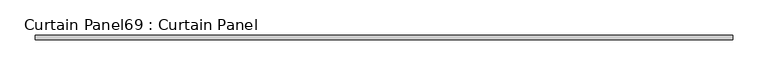
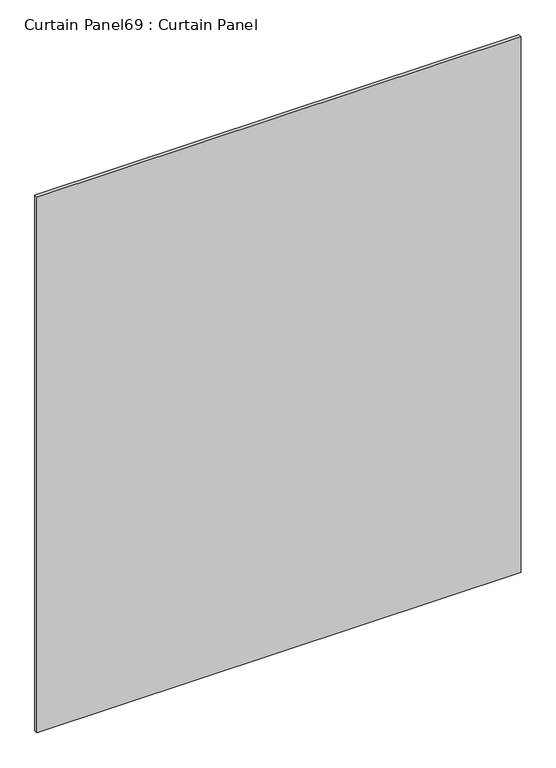
"""IFC4 building model written with IfcOpenShell, lengths in millimetres: plate geometry, Curtain Panel69 : Curtain Panel."""

import ifcopenshell
import ifcopenshell.guid

model = None  # the IFC model being written
_history = None  # IfcOwnerHistory: only IFC2X3 demands one
_inside = {}  # id of a spatial element -> (the spatial element, [elements in it])
_under = {}  # id of a project, library or spatial element -> (it, [spatial elements below it])
_declared = {}  # id of a project -> (the project, [libraries it declares])
_typed = {}  # id of a type object -> (the type object, [elements of that type])
_made_of = {}  # id of a material, layer set ... -> (it, [elements and type objects made of it])


def new_model(schema):
    """Start an empty IFC model of exactly this schema.

    Asked for "IFC4X3", IfcOpenShell would pick the latest addendum, in which some entities
    have other attributes; the version numbers below select the first issue.
    IFC2X3 requires an IfcOwnerHistory on every rooted entity: one is made here for all.
    """
    global model, _history
    if schema == "IFC4X3":
        model = ifcopenshell.file(schema_version=(4, 3, 0, 0))
    else:
        model = ifcopenshell.file(schema=schema)
    _inside.clear()
    _under.clear()
    _declared.clear()
    _typed.clear()
    _made_of.clear()
    _history = None
    if model.schema == "IFC2X3":
        org = make("IfcOrganization", Name="unknown")
        user = make(
            "IfcPersonAndOrganization",
            ThePerson=make("IfcPerson", FamilyName="unknown"),
            TheOrganization=org,
        )
        app = make(
            "IfcApplication",
            ApplicationDeveloper=org,
            Version="unknown",
            ApplicationFullName="unknown",
            ApplicationIdentifier="unknown",
        )
        _history = make(
            "IfcOwnerHistory",
            OwningUser=user,
            OwningApplication=app,
            ChangeAction="ADDED",
            CreationDate=0,
        )
    return model


def make(cls, **values):
    """One entity of the class cls with the attributes given. An attribute that is None is left unset."""
    return model.create_entity(
        cls, **{name: value for name, value in values.items() if value is not None}
    )


def rooted(cls, **values):
    """An entity with a GlobalId (a new one), such as an element, a storey or a relation."""
    return make(cls, GlobalId=ifcopenshell.guid.new(), OwnerHistory=_history, **values)


def si_unit(unit_type, name, prefix=None):
    """IfcSIUnit, for example si_unit("LENGTHUNIT", "METRE", prefix="MILLI")."""
    return make("IfcSIUnit", UnitType=unit_type, Prefix=prefix, Name=name)


def assignment(units):
    """IfcUnitAssignment: the units of a project."""
    return None if units is None else make("IfcUnitAssignment", Units=units)


def point(xyz):
    """IfcCartesianPoint."""
    return None if xyz is None else make("IfcCartesianPoint", Coordinates=xyz)


def direction(xyz):
    """IfcDirection."""
    return None if xyz is None else make("IfcDirection", DirectionRatios=xyz)


def frame(location, z_axis=None, x_axis=None):
    """IfcAxis2Placement3D, a coordinate frame: its origin and axes. An axis left out is left unset."""
    return make(
        "IfcAxis2Placement3D",
        Location=point(location),
        Axis=direction(z_axis),
        RefDirection=direction(x_axis),
    )


def origin():
    """The frame at (0, 0, 0) with its axes left unset."""
    return frame((0.0, 0.0, 0.0))


def place(relative_to, where):
    """IfcLocalPlacement: puts the frame where relative to a parent placement (None: the world)."""
    return make(
        "IfcLocalPlacement", PlacementRelTo=relative_to, RelativePlacement=where
    )


def context(
    kind, dimensions, precision=None, world=None, true_north=None, identifier=None
):
    """IfcGeometricRepresentationContext, for example the 3D "Model" context."""
    return make(
        "IfcGeometricRepresentationContext",
        ContextIdentifier=identifier,
        ContextType=kind,
        CoordinateSpaceDimension=dimensions,
        Precision=precision,
        WorldCoordinateSystem=world,
        TrueNorth=true_north,
    )


def project(units=None, contexts=None):
    """IfcProject with its units and contexts."""
    return rooted(
        "IfcProject",
        Name="project",
        RepresentationContexts=contexts,
        UnitsInContext=assignment(units),
    )


def spatial(cls, under=None, at=None, **own):
    """A site, building, storey or space (cls), placed at a placement, below another one or the project."""
    s = rooted(cls, ObjectPlacement=at, **own)
    if under is not None:
        _under.setdefault(under.id(), (under, []))[1].append(s)
    return s


def polyline(points):
    """IfcPolyline through the points."""
    return make("IfcPolyline", Points=[point(p) for p in points])


def outline(outer, holes=None, kind="AREA"):
    """IfcArbitraryClosedProfileDef: a profile drawn as a closed curve; with holes, ...WithVoids."""
    if holes is None:
        return make("IfcArbitraryClosedProfileDef", ProfileType=kind, OuterCurve=outer)
    return make(
        "IfcArbitraryProfileDefWithVoids",
        ProfileType=kind,
        OuterCurve=outer,
        InnerCurves=holes,
    )


def extrude(swept, where, along, depth):
    """IfcExtrudedAreaSolid: the profile swept, set in the frame where, extruded along a direction by depth."""
    return make(
        "IfcExtrudedAreaSolid",
        SweptArea=swept,
        Position=where,
        ExtrudedDirection=direction(along),
        Depth=depth,
    )


def shape(context_of_items, identifier, shape_type, items):
    """IfcShapeRepresentation: the items that make up one representation, for example the "Body"."""
    return make(
        "IfcShapeRepresentation",
        ContextOfItems=context_of_items,
        RepresentationIdentifier=identifier,
        RepresentationType=shape_type,
        Items=items,
    )


def source(mapping_origin, context_of_items, identifier, shape_type, items):
    """IfcRepresentationMap: a shape defined once, which mapped items show again and again."""
    return make(
        "IfcRepresentationMap",
        MappingOrigin=mapping_origin,
        MappedRepresentation=shape(context_of_items, identifier, shape_type, items),
    )


def transform(
    local_origin,
    x_axis=None,
    y_axis=None,
    z_axis=None,
    scale=None,
    scale2=None,
    scale3=None,
    uniform=True,
):
    """IfcCartesianTransformationOperator3D, or its non-uniform kind. x_axis, y_axis, z_axis: its Axis1, 2, 3."""
    if uniform:
        return make(
            "IfcCartesianTransformationOperator3D",
            Axis1=direction(x_axis),
            Axis2=direction(y_axis),
            LocalOrigin=point(local_origin),
            Scale=scale,
            Axis3=direction(z_axis),
        )
    return make(
        "IfcCartesianTransformationOperator3DnonUniform",
        Axis1=direction(x_axis),
        Axis2=direction(y_axis),
        LocalOrigin=point(local_origin),
        Scale=scale,
        Axis3=direction(z_axis),
        Scale2=scale2,
        Scale3=scale3,
    )


def mapped(mapping_source, mapping_target):
    """IfcMappedItem: shows the shape of a source again, moved by a transform."""
    return make(
        "IfcMappedItem", MappingSource=mapping_source, MappingTarget=mapping_target
    )


def made_of(thing, what):
    """Note that an element or type object is made of a material, layer set ...; save() writes the relation."""
    if what is not None:
        _made_of.setdefault(what.id(), (what, []))[1].append(thing)
    return thing


def element(
    cls,
    number,
    at=None,
    inside=None,
    cuts=None,
    type_object=None,
    material=None,
    context=None,
    identifier="Body",
    shape_type=None,
    held_by="IfcProductDefinitionShape",
    body=None,
    shapes=None,
    **own,
):
    """One element of the class cls, such as IfcWall. Its Tag is "e" and its number.

    at: its placement. inside: the storey or other place that contains it. cuts: it is an
    opening in that element (IfcRelVoidsElement). A single representation is given by context,
    identifier, shape_type and body (its items); several are given by shapes. held_by: the class
    of the entity that holds the representations. save() writes the other relations.
    """
    e = rooted(cls, Tag="e%d" % number, ObjectPlacement=at, **own)
    if body is not None:
        shapes = [shape(context, identifier, shape_type, body)]
    if shapes is not None:
        e.Representation = make(held_by, Representations=shapes)
    if inside is not None:
        _inside.setdefault(inside.id(), (inside, []))[1].append(e)
    if cuts is not None:
        rooted(
            "IfcRelVoidsElement", RelatingBuildingElement=cuts, RelatedOpeningElement=e
        )
    if type_object is not None:
        _typed.setdefault(type_object.id(), (type_object, []))[1].append(e)
    return made_of(e, material)


def aggregate(whole, parts):
    """IfcRelAggregates: a whole, such as a stair, and the parts it consists of."""
    return rooted("IfcRelAggregates", RelatingObject=whole, RelatedObjects=parts)


def save(model, path):
    """Write the relations noted so far, then the file.

    IfcRelAggregates (storeys below a building ...), IfcRelContainedInSpatialStructure (elements
    in a storey), IfcRelDefinesByType, IfcRelAssociatesMaterial and IfcRelDeclares: one each for
    every whole, place, type object, material and project.
    """
    for whole, parts in _under.values():
        aggregate(whole, parts)
    for where, things in _inside.values():
        rooted(
            "IfcRelContainedInSpatialStructure",
            RelatedElements=things,
            RelatingStructure=where,
        )
    for kind, things in _typed.values():
        rooted("IfcRelDefinesByType", RelatedObjects=things, RelatingType=kind)
    for what, things in _made_of.values():
        rooted("IfcRelAssociatesMaterial", RelatedObjects=things, RelatingMaterial=what)
    for by, libraries in _declared.values():
        rooted("IfcRelDeclares", RelatingContext=by, RelatedDefinitions=libraries)
    model.write(path)


def curtain_panel69_curtain_panel_f0bfdb28(model_context):
    return source(origin(), model_context, "Body", "SweptSolid", [
        extrude(outline(polyline([(-33566.9844918, 5641.1319151), (-34560.2375534, 5641.1319151), (-34560.2375534, 5647.4819151), (-33566.9844918, 5647.4819151), (-33566.9844918, 5641.1319151)])), frame((0.0, 0.0, 2454.4432542), z_axis=(0.0, 0.0, 1.0), x_axis=(1.0, 0.0, 0.0)), (0.0, 0.0, 1.0), 1161.8817458),
    ])


if __name__ == "__main__":
    model = new_model("IFC4")
    model_context = context("Model", 3, world=origin())
    ifc_project = project(units=[si_unit("LENGTHUNIT", "METRE", prefix="MILLI")], contexts=[model_context])
    site = spatial("IfcSite", under=ifc_project)
    building = spatial("IfcBuilding", under=site)
    placement = place(None, origin())
    curtain_panel69_curtain_panel_shape = curtain_panel69_curtain_panel_f0bfdb28(model_context)
    element("IfcPlate", 1, ObjectType="Curtain Panel69 : Curtain Panel", at=placement, inside=building, context=model_context, shape_type="MappedRepresentation", body=[
        mapped(curtain_panel69_curtain_panel_shape, transform((0.0, 0.0, 0.0), x_axis=(1.0, 0.0, 0.0), y_axis=(0.0, 1.0, 0.0), z_axis=(0.0, 0.0, 1.0))),
    ])
    save(model, "model.ifc")
